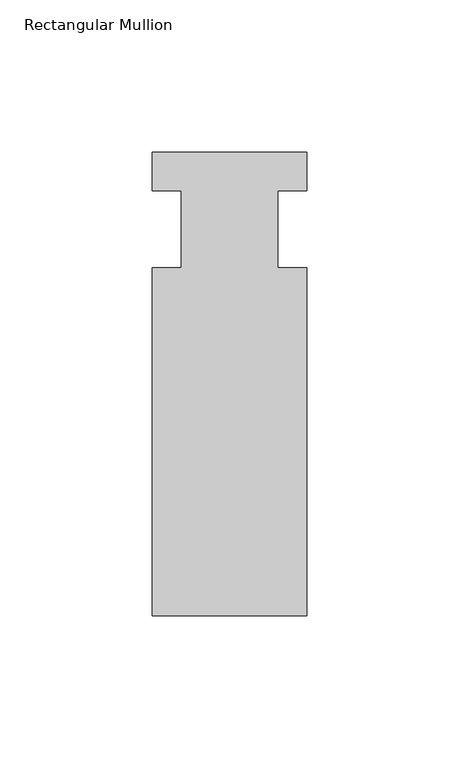
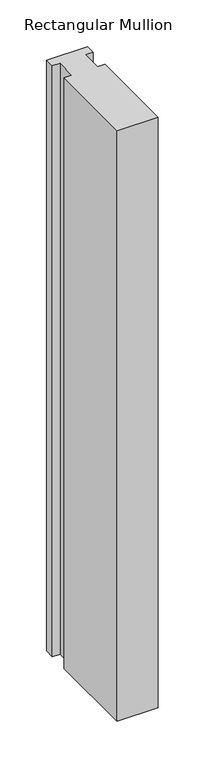
"""IFC4 building model written with IfcOpenShell, lengths in millimetres: member geometry, Rectangular Mullion."""

from ifc_helpers import new_model, si_unit, frame, origin, place, context, project, spatial, polyline, outline, extrude, source, transform, mapped, element, save


def rectangular_mullion_6abd0c01(model_context):
    return source(origin(), model_context, "Body", "SweptSolid", [
        extrude(outline(polyline([(25.4, -139.7), (-25.4, -139.7), (-25.4, -25.4), (-15.875, -25.4), (-15.875, 0.0), (-25.4, 0.0), (-25.4, 12.7), (25.4, 12.7), (25.4, 0.0), (15.875, 0.0), (15.875, -25.4), (25.4, -25.4), (25.4, -139.7)])), frame((0.0, 0.0, -774.7), z_axis=(0.0, 0.0, 1.0), x_axis=(1.0, 0.0, 0.0)), (0.0, 0.0, 1.0), 774.7),
    ])


if __name__ == "__main__":
    model = new_model("IFC4")
    model_context = context("Model", 3, world=origin())
    ifc_project = project(units=[si_unit("LENGTHUNIT", "METRE", prefix="MILLI")], contexts=[model_context])
    site = spatial("IfcSite", under=ifc_project)
    building = spatial("IfcBuilding", under=site)
    placement = place(None, origin())
    rectangular_mullion_shape = rectangular_mullion_6abd0c01(model_context)
    element("IfcMember", 1, ObjectType="Rectangular Mullion", at=placement, inside=building, context=model_context, shape_type="MappedRepresentation", body=[
        mapped(rectangular_mullion_shape, transform((0.0, 0.0, 0.0), x_axis=(1.0, 0.0, 0.0), y_axis=(0.0, 1.0, 0.0), z_axis=(0.0, 0.0, 1.0))),
    ])
    save(model, "model.ifc")
